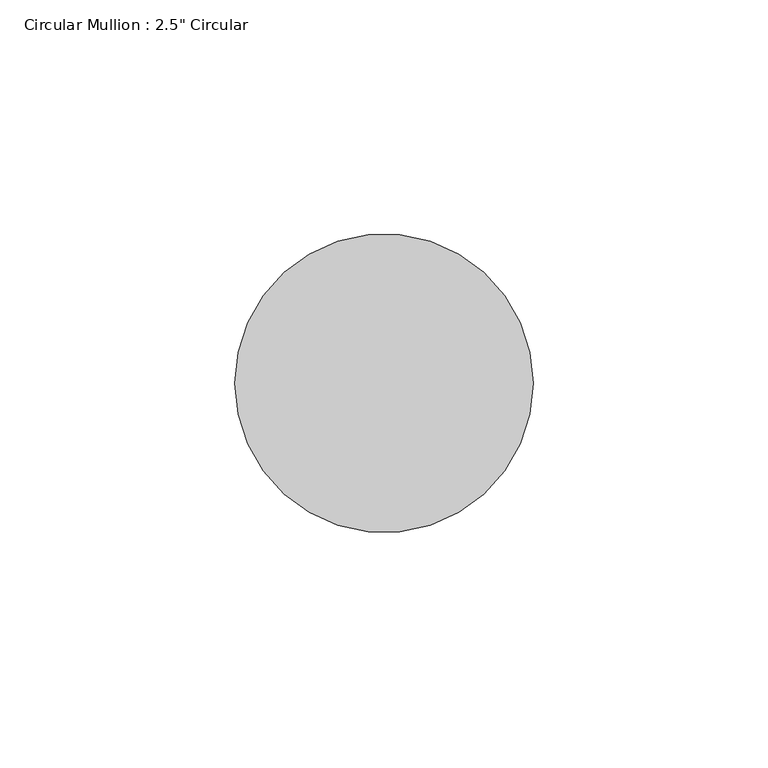
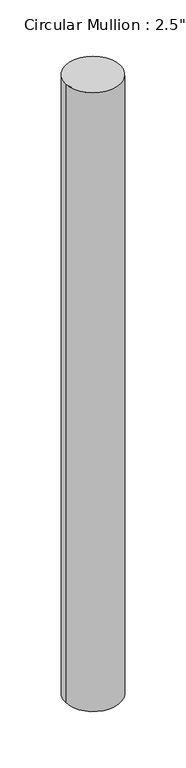
"""IFC4 building model written with IfcOpenShell, lengths in millimetres: member geometry."""

from ifc_helpers import new_model, si_unit, point, frame, origin, origin_2d, place, context, project, spatial, circle_curve, trimmed, segment, composite_curve, outline, extrude, source, transform, mapped, element, save


def member_ba354a05(model_context):
    return source(origin(), model_context, "Body", "SweptSolid", [
        extrude(outline(composite_curve([segment(trimmed(circle_curve(origin_2d(), 31.75), [point((31.75, 0.0))], [point((-31.75, 0.0))], False, "CARTESIAN"), True, "CONTINUOUS"), segment(trimmed(circle_curve(origin_2d(), 31.75), [point((-31.75, 0.0))], [point((31.75, 0.0))], False, "CARTESIAN"), True, "CONTINUOUS")], self_intersect=False)), frame((0.0, 0.0, -758.25), z_axis=(0.0, 0.0, 1.0), x_axis=(1.0, 0.0, 0.0)), (0.0, 0.0, 1.0), 758.25),
    ])


if __name__ == "__main__":
    model = new_model("IFC4")
    model_context = context("Model", 3, world=origin())
    ifc_project = project(units=[si_unit("LENGTHUNIT", "METRE", prefix="MILLI")], contexts=[model_context])
    site = spatial("IfcSite", under=ifc_project)
    building = spatial("IfcBuilding", under=site)
    placement = place(None, origin())
    member_shape = member_ba354a05(model_context)
    element("IfcMember", 1, ObjectType="Circular Mullion : 2.5\" Circular", at=placement, inside=building, context=model_context, shape_type="MappedRepresentation", body=[
        mapped(member_shape, transform((0.0, 0.0, 0.0), x_axis=(1.0, 0.0, 0.0), y_axis=(0.0, 1.0, 0.0), z_axis=(0.0, 0.0, 1.0))),
    ])
    save(model, "model.ifc")
